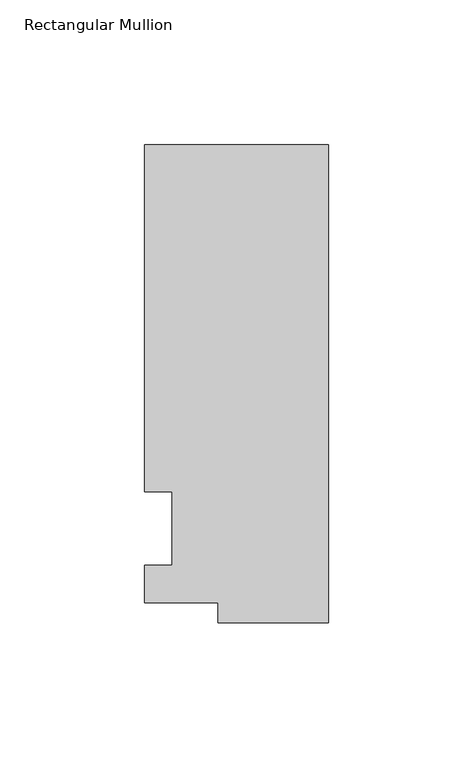
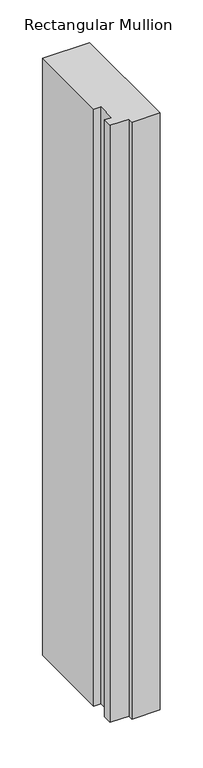
"""IFC4 building model written with IfcOpenShell, lengths in millimetres: member geometry, Rectangular Mullion."""

import ifcopenshell
import ifcopenshell.guid

model = None  # the IFC model being written
_history = None  # IfcOwnerHistory: only IFC2X3 demands one
_inside = {}  # id of a spatial element -> (the spatial element, [elements in it])
_under = {}  # id of a project, library or spatial element -> (it, [spatial elements below it])
_declared = {}  # id of a project -> (the project, [libraries it declares])
_typed = {}  # id of a type object -> (the type object, [elements of that type])
_made_of = {}  # id of a material, layer set ... -> (it, [elements and type objects made of it])


def new_model(schema):
    """Start an empty IFC model of exactly this schema.

    Asked for "IFC4X3", IfcOpenShell would pick the latest addendum, in which some entities
    have other attributes; the version numbers below select the first issue.
    IFC2X3 requires an IfcOwnerHistory on every rooted entity: one is made here for all.
    """
    global model, _history
    if schema == "IFC4X3":
        model = ifcopenshell.file(schema_version=(4, 3, 0, 0))
    else:
        model = ifcopenshell.file(schema=schema)
    _inside.clear()
    _under.clear()
    _declared.clear()
    _typed.clear()
    _made_of.clear()
    _history = None
    if model.schema == "IFC2X3":
        org = make("IfcOrganization", Name="unknown")
        user = make(
            "IfcPersonAndOrganization",
            ThePerson=make("IfcPerson", FamilyName="unknown"),
            TheOrganization=org,
        )
        app = make(
            "IfcApplication",
            ApplicationDeveloper=org,
            Version="unknown",
            ApplicationFullName="unknown",
            ApplicationIdentifier="unknown",
        )
        _history = make(
            "IfcOwnerHistory",
            OwningUser=user,
            OwningApplication=app,
            ChangeAction="ADDED",
            CreationDate=0,
        )
    return model


def make(cls, **values):
    """One entity of the class cls with the attributes given. An attribute that is None is left unset."""
    return model.create_entity(
        cls, **{name: value for name, value in values.items() if value is not None}
    )


def rooted(cls, **values):
    """An entity with a GlobalId (a new one), such as an element, a storey or a relation."""
    return make(cls, GlobalId=ifcopenshell.guid.new(), OwnerHistory=_history, **values)


def si_unit(unit_type, name, prefix=None):
    """IfcSIUnit, for example si_unit("LENGTHUNIT", "METRE", prefix="MILLI")."""
    return make("IfcSIUnit", UnitType=unit_type, Prefix=prefix, Name=name)


def assignment(units):
    """IfcUnitAssignment: the units of a project."""
    return None if units is None else make("IfcUnitAssignment", Units=units)


def point(xyz):
    """IfcCartesianPoint."""
    return None if xyz is None else make("IfcCartesianPoint", Coordinates=xyz)


def direction(xyz):
    """IfcDirection."""
    return None if xyz is None else make("IfcDirection", DirectionRatios=xyz)


def frame(location, z_axis=None, x_axis=None):
    """IfcAxis2Placement3D, a coordinate frame: its origin and axes. An axis left out is left unset."""
    return make(
        "IfcAxis2Placement3D",
        Location=point(location),
        Axis=direction(z_axis),
        RefDirection=direction(x_axis),
    )


def origin():
    """The frame at (0, 0, 0) with its axes left unset."""
    return frame((0.0, 0.0, 0.0))


def place(relative_to, where):
    """IfcLocalPlacement: puts the frame where relative to a parent placement (None: the world)."""
    return make(
        "IfcLocalPlacement", PlacementRelTo=relative_to, RelativePlacement=where
    )


def context(
    kind, dimensions, precision=None, world=None, true_north=None, identifier=None
):
    """IfcGeometricRepresentationContext, for example the 3D "Model" context."""
    return make(
        "IfcGeometricRepresentationContext",
        ContextIdentifier=identifier,
        ContextType=kind,
        CoordinateSpaceDimension=dimensions,
        Precision=precision,
        WorldCoordinateSystem=world,
        TrueNorth=true_north,
    )


def project(units=None, contexts=None):
    """IfcProject with its units and contexts."""
    return rooted(
        "IfcProject",
        Name="project",
        RepresentationContexts=contexts,
        UnitsInContext=assignment(units),
    )


def spatial(cls, under=None, at=None, **own):
    """A site, building, storey or space (cls), placed at a placement, below another one or the project."""
    s = rooted(cls, ObjectPlacement=at, **own)
    if under is not None:
        _under.setdefault(under.id(), (under, []))[1].append(s)
    return s


def polyline(points):
    """IfcPolyline through the points."""
    return make("IfcPolyline", Points=[point(p) for p in points])


def outline(outer, holes=None, kind="AREA"):
    """IfcArbitraryClosedProfileDef: a profile drawn as a closed curve; with holes, ...WithVoids."""
    if holes is None:
        return make("IfcArbitraryClosedProfileDef", ProfileType=kind, OuterCurve=outer)
    return make(
        "IfcArbitraryProfileDefWithVoids",
        ProfileType=kind,
        OuterCurve=outer,
        InnerCurves=holes,
    )


def extrude(swept, where, along, depth):
    """IfcExtrudedAreaSolid: the profile swept, set in the frame where, extruded along a direction by depth."""
    return make(
        "IfcExtrudedAreaSolid",
        SweptArea=swept,
        Position=where,
        ExtrudedDirection=direction(along),
        Depth=depth,
    )


def shape(context_of_items, identifier, shape_type, items):
    """IfcShapeRepresentation: the items that make up one representation, for example the "Body"."""
    return make(
        "IfcShapeRepresentation",
        ContextOfItems=context_of_items,
        RepresentationIdentifier=identifier,
        RepresentationType=shape_type,
        Items=items,
    )


def source(mapping_origin, context_of_items, identifier, shape_type, items):
    """IfcRepresentationMap: a shape defined once, which mapped items show again and again."""
    return make(
        "IfcRepresentationMap",
        MappingOrigin=mapping_origin,
        MappedRepresentation=shape(context_of_items, identifier, shape_type, items),
    )


def transform(
    local_origin,
    x_axis=None,
    y_axis=None,
    z_axis=None,
    scale=None,
    scale2=None,
    scale3=None,
    uniform=True,
):
    """IfcCartesianTransformationOperator3D, or its non-uniform kind. x_axis, y_axis, z_axis: its Axis1, 2, 3."""
    if uniform:
        return make(
            "IfcCartesianTransformationOperator3D",
            Axis1=direction(x_axis),
            Axis2=direction(y_axis),
            LocalOrigin=point(local_origin),
            Scale=scale,
            Axis3=direction(z_axis),
        )
    return make(
        "IfcCartesianTransformationOperator3DnonUniform",
        Axis1=direction(x_axis),
        Axis2=direction(y_axis),
        LocalOrigin=point(local_origin),
        Scale=scale,
        Axis3=direction(z_axis),
        Scale2=scale2,
        Scale3=scale3,
    )


def mapped(mapping_source, mapping_target):
    """IfcMappedItem: shows the shape of a source again, moved by a transform."""
    return make(
        "IfcMappedItem", MappingSource=mapping_source, MappingTarget=mapping_target
    )


def made_of(thing, what):
    """Note that an element or type object is made of a material, layer set ...; save() writes the relation."""
    if what is not None:
        _made_of.setdefault(what.id(), (what, []))[1].append(thing)
    return thing


def element(
    cls,
    number,
    at=None,
    inside=None,
    cuts=None,
    type_object=None,
    material=None,
    context=None,
    identifier="Body",
    shape_type=None,
    held_by="IfcProductDefinitionShape",
    body=None,
    shapes=None,
    **own,
):
    """One element of the class cls, such as IfcWall. Its Tag is "e" and its number.

    at: its placement. inside: the storey or other place that contains it. cuts: it is an
    opening in that element (IfcRelVoidsElement). A single representation is given by context,
    identifier, shape_type and body (its items); several are given by shapes. held_by: the class
    of the entity that holds the representations. save() writes the other relations.
    """
    e = rooted(cls, Tag="e%d" % number, ObjectPlacement=at, **own)
    if body is not None:
        shapes = [shape(context, identifier, shape_type, body)]
    if shapes is not None:
        e.Representation = make(held_by, Representations=shapes)
    if inside is not None:
        _inside.setdefault(inside.id(), (inside, []))[1].append(e)
    if cuts is not None:
        rooted(
            "IfcRelVoidsElement", RelatingBuildingElement=cuts, RelatedOpeningElement=e
        )
    if type_object is not None:
        _typed.setdefault(type_object.id(), (type_object, []))[1].append(e)
    return made_of(e, material)


def aggregate(whole, parts):
    """IfcRelAggregates: a whole, such as a stair, and the parts it consists of."""
    return rooted("IfcRelAggregates", RelatingObject=whole, RelatedObjects=parts)


def save(model, path):
    """Write the relations noted so far, then the file.

    IfcRelAggregates (storeys below a building ...), IfcRelContainedInSpatialStructure (elements
    in a storey), IfcRelDefinesByType, IfcRelAssociatesMaterial and IfcRelDeclares: one each for
    every whole, place, type object, material and project.
    """
    for whole, parts in _under.values():
        aggregate(whole, parts)
    for where, things in _inside.values():
        rooted(
            "IfcRelContainedInSpatialStructure",
            RelatedElements=things,
            RelatingStructure=where,
        )
    for kind, things in _typed.values():
        rooted("IfcRelDefinesByType", RelatedObjects=things, RelatingType=kind)
    for what, things in _made_of.values():
        rooted("IfcRelAssociatesMaterial", RelatedObjects=things, RelatingMaterial=what)
    for by, libraries in _declared.values():
        rooted("IfcRelDeclares", RelatingContext=by, RelatedDefinitions=libraries)
    model.write(path)


def rectangular_mullion_7887b181(model_context):
    return source(origin(), model_context, "Body", "SweptSolid", [
        extrude(outline(polyline([(-38.1, -32.54375), (-38.1, -25.58415), (-63.5, -25.58415), (-63.5, -12.7), (-53.975, -12.7), (-53.975, 12.7), (-63.5, 12.7), (-63.5, 132.55625), (0.0, 132.55625), (0.0, -32.54375), (-38.1, -32.54375)])), frame((0.0, 0.0, -852.4875), z_axis=(0.0, 0.0, 1.0), x_axis=(1.0, 0.0, 0.0)), (0.0, 0.0, 1.0), 852.4875),
    ])


if __name__ == "__main__":
    model = new_model("IFC4")
    model_context = context("Model", 3, world=origin())
    ifc_project = project(units=[si_unit("LENGTHUNIT", "METRE", prefix="MILLI")], contexts=[model_context])
    site = spatial("IfcSite", under=ifc_project)
    building = spatial("IfcBuilding", under=site)
    placement = place(None, origin())
    rectangular_mullion_shape = rectangular_mullion_7887b181(model_context)
    element("IfcMember", 1, ObjectType="Rectangular Mullion", at=placement, inside=building, context=model_context, shape_type="MappedRepresentation", body=[
        mapped(rectangular_mullion_shape, transform((0.0, 0.0, 0.0), x_axis=(1.0, 0.0, 0.0), y_axis=(0.0, 1.0, 0.0), z_axis=(0.0, 0.0, 1.0))),
    ])
    save(model, "model.ifc")
